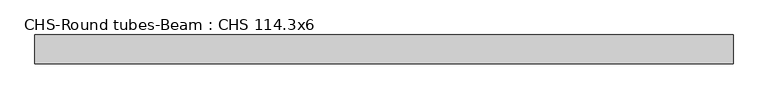
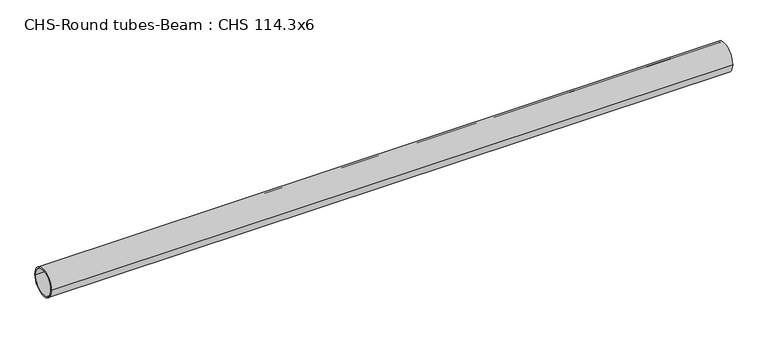
"""IFC4 building model written with IfcOpenShell, lengths in millimetres: beam geometry, CHS-Round tubes-Beam : CHS 114.3x6."""

from ifc_helpers import new_model, si_unit, point, frame, origin, origin_2d, place, context, project, spatial, circle_curve, trimmed, segment, composite_curve, outline, extrude, source, transform, mapped, element, save


def chs_round_tubes_beam_chs_114_3x6_aabfbab1(model_context):
    return source(origin(), model_context, "Body", "SweptSolid", [
        extrude(outline(composite_curve([segment(trimmed(circle_curve(origin_2d(), 57.15), [point((57.15, 0.0))], [point((-57.15, 0.0))], False, "CARTESIAN"), True, "CONTINUOUS"), segment(trimmed(circle_curve(origin_2d(), 57.15), [point((-57.15, 0.0))], [point((57.15, 0.0))], False, "CARTESIAN"), True, "CONTINUOUS")], self_intersect=False), holes=[composite_curve([segment(trimmed(circle_curve(origin_2d(), 51.15), [point((51.15, 0.0))], [point((-51.15, 0.0))], True, "CARTESIAN"), True, "CONTINUOUS"), segment(trimmed(circle_curve(origin_2d(), 51.15), [point((-51.15, 0.0))], [point((51.15, 0.0))], True, "CARTESIAN"), True, "CONTINUOUS")], self_intersect=False)]), frame((-1326.1263363, 0.0, 0.0), z_axis=(1.0, 0.0, 0.0), x_axis=(0.0, 1.0, 0.0)), (0.0, 0.0, 1.0), 2746.9982903),
    ])


if __name__ == "__main__":
    model = new_model("IFC4")
    model_context = context("Model", 3, world=origin())
    ifc_project = project(units=[si_unit("LENGTHUNIT", "METRE", prefix="MILLI")], contexts=[model_context])
    site = spatial("IfcSite", under=ifc_project)
    building = spatial("IfcBuilding", under=site)
    placement = place(None, origin())
    chs_round_tubes_beam_chs_114_3x6_shape = chs_round_tubes_beam_chs_114_3x6_aabfbab1(model_context)
    element("IfcBeam", 1, ObjectType="CHS-Round tubes-Beam : CHS 114.3x6", at=placement, inside=building, context=model_context, shape_type="MappedRepresentation", body=[
        mapped(chs_round_tubes_beam_chs_114_3x6_shape, transform((0.0, 0.0, 0.0), x_axis=(1.0, 0.0, 0.0), y_axis=(0.0, 1.0, 0.0), z_axis=(0.0, 0.0, 1.0))),
    ])
    save(model, "model.ifc")
